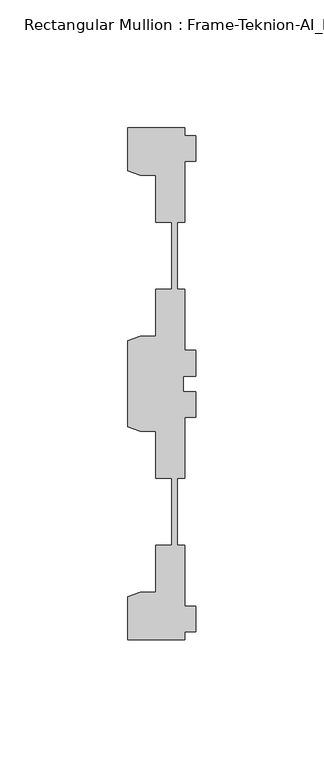
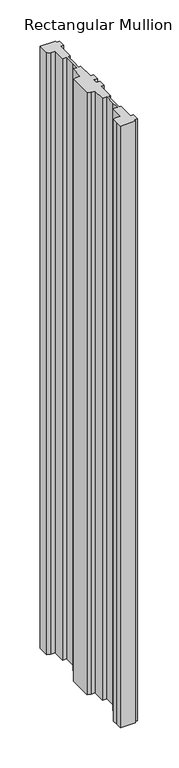
"""IFC4 building model written with IfcOpenShell, lengths in millimetres: member geometry, Rectangular Mullion : Frame-Teknion-AI_Healthcare-Ceiling_Double_Channel."""

from ifc_helpers import new_model, si_unit, frame, origin, place, context, project, spatial, polyline, outline, extrude, source, transform, mapped, element, save


def rectangular_mullion_frame_teknion_ai_healthcare_ceiling_8f32fde9(model_context):
    return source(origin(), model_context, "Body", "SweptSolid", [
        extrude(outline(polyline([(-4.2672007, 100.0110586), (-4.2672007, 96.9534451), (0.0, 96.9534451), (0.0, 86.9534377), (-4.2672007, 86.9534377), (-4.2672007, 63.0824429), (-7.1647766, 63.0824429), (-7.1647766, 48.9859882), (-7.1647766, 36.9204406), (-4.2672007, 36.9204406), (-4.2672007, 13.0494413), (0.0, 13.0494413), (0.0, 3.0494419), (-4.7752002, 3.0494419), (-4.7752002, 0.0), (-4.7752002, -3.0494419), (0.0, -3.0494419), (0.0, -13.0494413), (-4.2672007, -13.0494413), (-4.2672007, -36.9204406), (-7.1647766, -36.9204406), (-7.1647766, -50.7500324), (-7.1647766, -63.0824429), (-4.2672007, -63.0824429), (-4.2672007, -86.9534377), (0.0, -86.9534377), (0.0, -96.9534451), (-4.2672007, -96.9534451), (-4.2672007, -100.0014421), (-26.4921999, -100.0014421), (-26.4921999, -90.2224424), (-26.4921999, -83.1915336), (-21.6625199, -81.4594689), (-15.6737764, -81.4594689), (-15.6737764, -63.0824429), (-9.4507761, -63.0824429), (-9.4507761, -50.8315128), (-9.4507761, -36.9204406), (-15.6737764, -36.9204406), (-15.6737764, -18.5434146), (-21.6625199, -18.5434146), (-26.4921999, -16.8113452), (-26.4921999, 16.8113452), (-21.6357055, 18.5530311), (-15.6737764, 18.5530311), (-15.6737764, 36.9300571), (-9.4507761, 36.9300571), (-9.4507761, 47.8659877), (-9.4507761, 63.0920594), (-15.6737764, 63.0920594), (-15.6737764, 81.4690854), (-21.6625199, 81.4690854), (-26.4921999, 83.20115), (-26.4921999, 100.0110586), (-4.2672007, 100.0110586)])), frame((0.0, 0.0, -914.2681744), z_axis=(0.0, 0.0, 1.0), x_axis=(1.0, 0.0, 0.0)), (0.0, 0.0, 1.0), 914.2681744),
    ])


if __name__ == "__main__":
    model = new_model("IFC4")
    model_context = context("Model", 3, world=origin())
    ifc_project = project(units=[si_unit("LENGTHUNIT", "METRE", prefix="MILLI")], contexts=[model_context])
    site = spatial("IfcSite", under=ifc_project)
    building = spatial("IfcBuilding", under=site)
    placement = place(None, origin())
    rectangular_mullion_frame_teknion_ai_healthcare_ceiling_shape = rectangular_mullion_frame_teknion_ai_healthcare_ceiling_8f32fde9(model_context)
    element("IfcMember", 1, ObjectType="Rectangular Mullion : Frame-Teknion-AI_Healthcare-Ceiling_Double_Channel", at=placement, inside=building, context=model_context, shape_type="MappedRepresentation", body=[
        mapped(rectangular_mullion_frame_teknion_ai_healthcare_ceiling_shape, transform((0.0, 0.0, 0.0), x_axis=(1.0, 0.0, 0.0), y_axis=(0.0, 1.0, 0.0), z_axis=(0.0, 0.0, 1.0))),
    ])
    save(model, "model.ifc")
